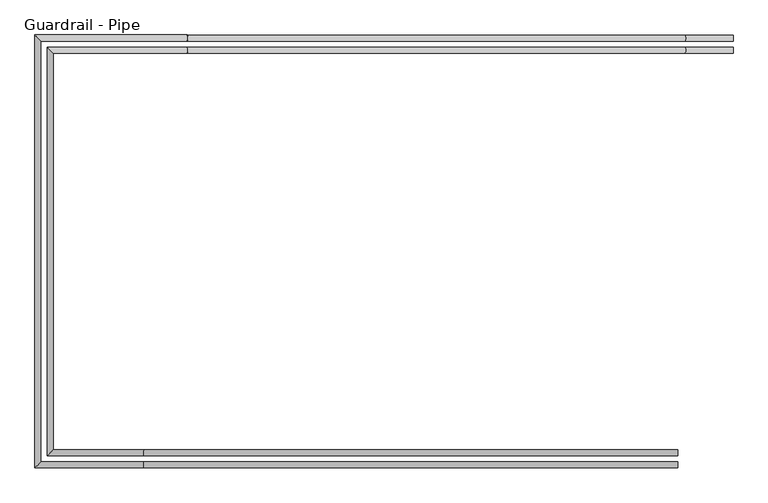
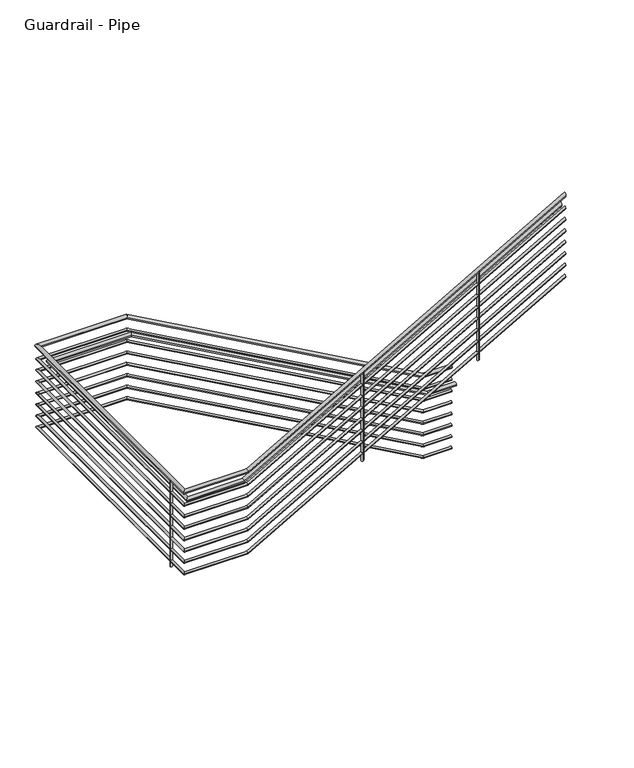
"""IFC4 building model written with IfcOpenShell, lengths in millimetres: railing geometry, Guardrail - Pipe."""

from ifc_helpers import new_model, si_unit, point, frame, frame_2d, origin, place, context, project, spatial, circle_curve, ellipse_curve, trimmed, segment, composite_curve, outline, extrude, source, transform, mapped, element, save
from ifc_brep_helpers import plane_surface, cylinder_surface, advanced_brep


def guardrail_pipe_b9f41d2e(model_context):
    return source(origin(), model_context, "Body", "SolidModel", [
        advanced_brep(
        [(-10251.0564309, 4025.1651259, 8667.75), (-10251.0564309, 4063.2651259, 8667.75), (-10551.6817729, 4025.1651259, 8667.75), (-10551.6817729, 4063.2651259, 8667.75), (-13675.3821148, 4025.1651259, 10417.0369565), (-13675.3821148, 4063.2651259, 10417.0369565), (-14591.1612561, 4025.1651259, 10417.0369565), (-14629.2612561, 4063.2651259, 10417.0369565), (-14591.1612561, 1386.0904418, 10417.0369565), (-14629.2612561, 1347.9904418, 10417.0369565), (-13944.769628, 1386.0904418, 10417.0369565), (-13944.769628, 1347.9904418, 10417.0369565), (-10597.0112561, 1386.0904418, 12322.4804567), (-10597.0112561, 1347.9904418, 12322.4804567)],
        [
            (0, 1, circle_curve(frame((-10251.0564309, 4044.2151259, 8667.75), z_axis=(1.0, 0.0, 0.0), x_axis=(0.0, 1.0, 0.0)), 19.05)),
            (1, 0, circle_curve(frame((-10251.0564309, 4044.2151259, 8667.75), z_axis=(1.0, 0.0, 0.0), x_axis=(0.0, 1.0, 0.0)), 19.05)),
            (0, 2),
            (2, 3, ellipse_curve(frame((-10551.6817729, 4044.2151259, 8667.75), z_axis=(0.967601224106327, 0.0, -0.2524834075893653), x_axis=(0.2524834075893652, 0.0, 0.967601224106327)), 19.6878626, 19.05)),
            (3, 1),
            (3, 2, ellipse_curve(frame((-10551.6817729, 4044.2151259, 8667.75), z_axis=(0.967601224106327, 0.0, -0.2524834075893653), x_axis=(0.2524834075893652, 0.0, 0.967601224106327)), 19.6878626, 19.05)),
            (2, 4),
            (4, 5, ellipse_curve(frame((-13675.3821148, 4044.2151259, 10417.0369565), z_axis=(0.967601224106327, 0.0, -0.2524834075893653), x_axis=(-0.2524834075893652, 0.0, -0.967601224106327)), 19.6878626, 19.05)),
            (5, 3),
            (5, 4, ellipse_curve(frame((-13675.3821148, 4044.2151259, 10417.0369565), z_axis=(0.967601224106327, 0.0, -0.2524834075893653), x_axis=(-0.2524834075893652, 0.0, -0.967601224106327)), 19.6878626, 19.05)),
            (4, 6),
            (6, 7, ellipse_curve(frame((-14610.2112561, 4044.2151259, 10417.0369565), z_axis=(0.7071067811865475, 0.7071067811865475, 0.0), x_axis=(0.7071067811865476, -0.7071067811865474, 0.0)), 26.9407684, 19.05)),
            (7, 5),
            (7, 6, ellipse_curve(frame((-14610.2112561, 4044.2151259, 10417.0369565), z_axis=(0.7071067811865475, 0.7071067811865475, 0.0), x_axis=(0.7071067811865476, -0.7071067811865474, 0.0)), 26.9407684, 19.05)),
            (6, 8),
            (8, 9, ellipse_curve(frame((-14610.2112561, 1367.0404418, 10417.0369565), z_axis=(-0.7071067811865475, 0.7071067811865475, 0.0), x_axis=(0.7071067811865474, 0.7071067811865476, 0.0)), 26.9407684, 19.05)),
            (9, 7),
            (9, 8, ellipse_curve(frame((-14610.2112561, 1367.0404418, 10417.0369565), z_axis=(-0.7071067811865475, 0.7071067811865475, 0.0), x_axis=(0.7071067811865474, 0.7071067811865476, 0.0)), 26.9407684, 19.05)),
            (8, 10),
            (10, 11, ellipse_curve(frame((-13944.769628, 1367.0404418, 10417.0369565), z_axis=(-0.9667180176221515, 0.0, -0.2558442385606873), x_axis=(-0.2558442385606863, 0.0, 0.9667180176221517)), 19.7058497, 19.05)),
            (11, 9),
            (11, 10, ellipse_curve(frame((-13944.769628, 1367.0404418, 10417.0369565), z_axis=(-0.9667180176221515, 0.0, -0.2558442385606873), x_axis=(-0.2558442385606863, 0.0, 0.9667180176221517)), 19.7058497, 19.05)),
            (12, 13, ellipse_curve(frame((-10597.0112561, 1367.0404418, 12322.4804567), z_axis=(1.0, 0.0, 0.0), x_axis=(0.0, 0.0, -1.0)), 21.9195433, 19.05)),
            (13, 12, ellipse_curve(frame((-10597.0112561, 1367.0404418, 12322.4804567), z_axis=(1.0, 0.0, 0.0), x_axis=(0.0, 0.0, -1.0)), 21.9195433, 19.05)),
            (10, 12),
            (13, 11),
        ],
        [
            plane_surface(frame((-10251.0564309, 4044.2151259, 8686.8), z_axis=(1.0, 0.0, 0.0), x_axis=(0.0, -1.0, 0.0))),
            cylinder_surface(frame((-10251.0564309, 4044.2151259, 8667.75), z_axis=(1.0, 0.0, 0.0), x_axis=(0.0, 1.0, 0.0)), 19.05),
            cylinder_surface(frame((-10556.0188682, 4044.2151259, 8670.1787939), z_axis=(0.8725042577841249, 0.0, -0.48860650850001314), x_axis=(0.0, 1.0, 0.0)), 19.05),
            cylinder_surface(frame((-13670.4112561, 4044.2151259, 10417.0369565), z_axis=(1.0, 0.0, 0.0), x_axis=(0.0, 1.0, 0.0)), 19.05),
            cylinder_surface(frame((-14610.2112561, 4044.2151259, 10417.0369565), z_axis=(0.0, 1.0, 0.0), x_axis=(-1.0, 0.0, 0.0)), 19.05),
            cylinder_surface(frame((-14610.2112561, 1367.0404418, 10417.0369565), z_axis=(-1.0, 0.0, 0.0), x_axis=(0.0, -1.0, 0.0)), 19.05),
            plane_surface(frame((-10597.0112561, 1367.0404418, 12344.4), z_axis=(1.0, 0.0, 0.0), x_axis=(0.0, 1.0, 0.0))),
            cylinder_surface(frame((-13940.3880123, 1367.0404418, 10419.5308406), z_axis=(-0.8690874511906044, 0.0, -0.49465847024287274), x_axis=(0.0, -1.0, 0.0)), 19.05),
        ],
        [
            (0, [[1, 2]]),
            (1, [[-1, 3, 4, 5]]),
            (1, [[-2, -5, 6, -3]]),
            (2, [[-4, 7, 8, 9]]),
            (2, [[-6, -9, 10, -7]]),
            (3, [[-8, 11, 12, 13]]),
            (3, [[-10, -13, 14, -11]]),
            (4, [[-12, 15, 16, 17]]),
            (4, [[-14, -17, 18, -15]]),
            (5, [[-16, 19, 20, 21]]),
            (5, [[-18, -21, 22, -19]]),
            (6, [[23, 24]]),
            (7, [[-20, 25, -24, 26]]),
            (7, [[-22, -26, -23, -25]]),
        ],
    ),
        advanced_brep(
        [(-10251.0564309, 4031.5151259, 8521.7), (-10251.0564309, 4056.9151259, 8521.7), (-10550.02482, 4031.5151259, 8521.7), (-10550.02482, 4056.9151259, 8521.7), (-13673.7251619, 4031.5151259, 10270.9869565), (-13673.7251619, 4056.9151259, 10270.9869565), (-14597.5112561, 4031.5151259, 10270.9869565), (-14622.9112561, 4056.9151259, 10270.9869565), (-14597.5112561, 1379.7404418, 10270.9869565), (-14622.9112561, 1354.3404418, 10270.9869565), (-13946.4501707, 1379.7404418, 10270.9869565), (-13946.4501707, 1354.3404418, 10270.9869565), (-10597.0112561, 1379.7404418, 12177.3869711), (-10597.0112561, 1354.3404418, 12177.3869711)],
        [
            (0, 1, circle_curve(frame((-10251.0564309, 4044.2151259, 8521.7), z_axis=(1.0, 0.0, 0.0), x_axis=(0.0, 1.0, 0.0)), 12.7)),
            (1, 0, circle_curve(frame((-10251.0564309, 4044.2151259, 8521.7), z_axis=(1.0, 0.0, 0.0), x_axis=(0.0, 1.0, 0.0)), 12.7)),
            (0, 2),
            (2, 3, ellipse_curve(frame((-10550.02482, 4044.2151259, 8521.7), z_axis=(0.967601224106327, 0.0, -0.2524834075893653), x_axis=(0.2524834075893652, 0.0, 0.967601224106327)), 13.1252418, 12.7)),
            (3, 1),
            (3, 2, ellipse_curve(frame((-10550.02482, 4044.2151259, 8521.7), z_axis=(0.967601224106327, 0.0, -0.2524834075893653), x_axis=(0.2524834075893652, 0.0, 0.967601224106327)), 13.1252418, 12.7)),
            (2, 4),
            (4, 5, ellipse_curve(frame((-13673.7251619, 4044.2151259, 10270.9869565), z_axis=(0.967601224106327, 0.0, -0.2524834075893653), x_axis=(-0.2524834075893652, 0.0, -0.967601224106327)), 13.1252418, 12.7)),
            (5, 3),
            (5, 4, ellipse_curve(frame((-13673.7251619, 4044.2151259, 10270.9869565), z_axis=(0.967601224106327, 0.0, -0.2524834075893653), x_axis=(-0.2524834075893652, 0.0, -0.967601224106327)), 13.1252418, 12.7)),
            (4, 6),
            (6, 7, ellipse_curve(frame((-14610.2112561, 4044.2151259, 10270.9869565), z_axis=(0.7071067811865475, 0.7071067811865475, 0.0), x_axis=(0.7071067811865476, -0.7071067811865474, 0.0)), 17.9605122, 12.7)),
            (7, 5),
            (7, 6, ellipse_curve(frame((-14610.2112561, 4044.2151259, 10270.9869565), z_axis=(0.7071067811865475, 0.7071067811865475, 0.0), x_axis=(0.7071067811865476, -0.7071067811865474, 0.0)), 17.9605122, 12.7)),
            (6, 8),
            (8, 9, ellipse_curve(frame((-14610.2112561, 1367.0404418, 10270.9869565), z_axis=(-0.7071067811865475, 0.7071067811865475, 0.0), x_axis=(0.7071067811865474, 0.7071067811865476, 0.0)), 17.9605122, 12.7)),
            (9, 7),
            (9, 8, ellipse_curve(frame((-14610.2112561, 1367.0404418, 10270.9869565), z_axis=(-0.7071067811865475, 0.7071067811865475, 0.0), x_axis=(0.7071067811865474, 0.7071067811865476, 0.0)), 17.9605122, 12.7)),
            (8, 10),
            (10, 11, ellipse_curve(frame((-13946.4501707, 1367.0404418, 10270.9869565), z_axis=(-0.9667180176221515, 0.0, -0.2558442385606873), x_axis=(-0.2558442385606863, 0.0, 0.9667180176221517)), 13.1372332, 12.7)),
            (11, 9),
            (11, 10, ellipse_curve(frame((-13946.4501707, 1367.0404418, 10270.9869565), z_axis=(-0.9667180176221515, 0.0, -0.2558442385606873), x_axis=(-0.2558442385606863, 0.0, 0.9667180176221517)), 13.1372332, 12.7)),
            (12, 13, ellipse_curve(frame((-10597.0112561, 1367.0404418, 12177.3869711), z_axis=(1.0, 0.0, 0.0), x_axis=(0.0, 0.0, -1.0)), 14.6130289, 12.7)),
            (13, 12, ellipse_curve(frame((-10597.0112561, 1367.0404418, 12177.3869711), z_axis=(1.0, 0.0, 0.0), x_axis=(0.0, 0.0, -1.0)), 14.6130289, 12.7)),
            (10, 12),
            (13, 11),
        ],
        [
            plane_surface(frame((-10251.0564309, 4044.2151259, 8534.4), z_axis=(1.0, 0.0, 0.0), x_axis=(0.0, -1.0, 0.0))),
            cylinder_surface(frame((-10251.0564309, 4044.2151259, 8521.7), z_axis=(1.0, 0.0, 0.0), x_axis=(0.0, 1.0, 0.0)), 12.7),
            cylinder_surface(frame((-10552.9162169, 4044.2151259, 8523.3191959), z_axis=(0.8725042577841249, 0.0, -0.48860650850001314), x_axis=(0.0, 1.0, 0.0)), 12.7),
            cylinder_surface(frame((-13670.4112561, 4044.2151259, 10270.9869565), z_axis=(1.0, 0.0, 0.0), x_axis=(0.0, 1.0, 0.0)), 12.7),
            cylinder_surface(frame((-14610.2112561, 4044.2151259, 10270.9869565), z_axis=(0.0, 1.0, 0.0), x_axis=(-1.0, 0.0, 0.0)), 12.7),
            cylinder_surface(frame((-14610.2112561, 1367.0404418, 10270.9869565), z_axis=(-1.0, 0.0, 0.0), x_axis=(0.0, -1.0, 0.0)), 12.7),
            plane_surface(frame((-10597.0112561, 1367.0404418, 12192.0), z_axis=(1.0, 0.0, 0.0), x_axis=(0.0, 1.0, 0.0))),
            cylinder_surface(frame((-13943.5290936, 1367.0404418, 10272.6495459), z_axis=(-0.8690874511906044, 0.0, -0.49465847024287274), x_axis=(0.0, -1.0, 0.0)), 12.7),
        ],
        [
            (0, [[1, 2]]),
            (1, [[-1, 3, 4, 5]]),
            (1, [[-2, -5, 6, -3]]),
            (2, [[-4, 7, 8, 9]]),
            (2, [[-6, -9, 10, -7]]),
            (3, [[-8, 11, 12, 13]]),
            (3, [[-10, -13, 14, -11]]),
            (4, [[-12, 15, 16, 17]]),
            (4, [[-14, -17, 18, -15]]),
            (5, [[-16, 19, 20, 21]]),
            (5, [[-18, -21, 22, -19]]),
            (6, [[23, 24]]),
            (7, [[-20, 25, -24, 26]]),
            (7, [[-22, -26, -23, -25]]),
        ],
    ),
        advanced_brep(
        [(-10251.0564309, 3948.9651259, 8515.35), (-10251.0564309, 3987.0651259, 8515.35), (-10551.6817729, 3948.9651259, 8515.35), (-10551.6817729, 3987.0651259, 8515.35), (-13675.3821148, 3948.9651259, 10264.6369565), (-13675.3821148, 3987.0651259, 10264.6369565), (-14514.9612561, 3948.9651259, 10264.6369565), (-14553.0612561, 3987.0651259, 10264.6369565), (-14514.9612561, 1462.2904418, 10264.6369565), (-14553.0612561, 1424.1904418, 10264.6369565), (-13944.769628, 1462.2904418, 10264.6369565), (-13944.769628, 1424.1904418, 10264.6369565), (-10597.0112561, 1462.2904418, 12170.0804567), (-10597.0112561, 1424.1904418, 12170.0804567)],
        [
            (0, 1, circle_curve(frame((-10251.0564309, 3968.0151259, 8515.35), z_axis=(1.0, 0.0, 0.0), x_axis=(0.0, 1.0, 0.0)), 19.05)),
            (1, 0, circle_curve(frame((-10251.0564309, 3968.0151259, 8515.35), z_axis=(1.0, 0.0, 0.0), x_axis=(0.0, 1.0, 0.0)), 19.05)),
            (0, 2),
            (2, 3, ellipse_curve(frame((-10551.6817729, 3968.0151259, 8515.35), z_axis=(0.967601224106327, 0.0, -0.2524834075893653), x_axis=(0.2524834075893652, 0.0, 0.967601224106327)), 19.6878626, 19.05)),
            (3, 1),
            (3, 2, ellipse_curve(frame((-10551.6817729, 3968.0151259, 8515.35), z_axis=(0.967601224106327, 0.0, -0.2524834075893653), x_axis=(0.2524834075893652, 0.0, 0.967601224106327)), 19.6878626, 19.05)),
            (2, 4),
            (4, 5, ellipse_curve(frame((-13675.3821148, 3968.0151259, 10264.6369565), z_axis=(0.967601224106327, 0.0, -0.2524834075893653), x_axis=(-0.2524834075893652, 0.0, -0.967601224106327)), 19.6878626, 19.05)),
            (5, 3),
            (5, 4, ellipse_curve(frame((-13675.3821148, 3968.0151259, 10264.6369565), z_axis=(0.967601224106327, 0.0, -0.2524834075893653), x_axis=(-0.2524834075893652, 0.0, -0.967601224106327)), 19.6878626, 19.05)),
            (4, 6),
            (6, 7, ellipse_curve(frame((-14534.0112561, 3968.0151259, 10264.6369565), z_axis=(0.7071067811865475, 0.7071067811865475, 0.0), x_axis=(0.7071067811865476, -0.7071067811865474, 0.0)), 26.9407684, 19.05)),
            (7, 5),
            (7, 6, ellipse_curve(frame((-14534.0112561, 3968.0151259, 10264.6369565), z_axis=(0.7071067811865475, 0.7071067811865475, 0.0), x_axis=(0.7071067811865476, -0.7071067811865474, 0.0)), 26.9407684, 19.05)),
            (6, 8),
            (8, 9, ellipse_curve(frame((-14534.0112561, 1443.2404418, 10264.6369565), z_axis=(-0.7071067811865475, 0.7071067811865475, 0.0), x_axis=(0.7071067811865474, 0.7071067811865476, 0.0)), 26.9407684, 19.05)),
            (9, 7),
            (9, 8, ellipse_curve(frame((-14534.0112561, 1443.2404418, 10264.6369565), z_axis=(-0.7071067811865475, 0.7071067811865475, 0.0), x_axis=(0.7071067811865474, 0.7071067811865476, 0.0)), 26.9407684, 19.05)),
            (8, 10),
            (10, 11, ellipse_curve(frame((-13944.769628, 1443.2404418, 10264.6369565), z_axis=(-0.9667180176221515, 0.0, -0.2558442385606873), x_axis=(-0.2558442385606863, 0.0, 0.9667180176221517)), 19.7058497, 19.05)),
            (11, 9),
            (11, 10, ellipse_curve(frame((-13944.769628, 1443.2404418, 10264.6369565), z_axis=(-0.9667180176221515, 0.0, -0.2558442385606873), x_axis=(-0.2558442385606863, 0.0, 0.9667180176221517)), 19.7058497, 19.05)),
            (12, 13, ellipse_curve(frame((-10597.0112561, 1443.2404418, 12170.0804567), z_axis=(1.0, 0.0, 0.0), x_axis=(0.0, 0.0, -1.0)), 21.9195433, 19.05)),
            (13, 12, ellipse_curve(frame((-10597.0112561, 1443.2404418, 12170.0804567), z_axis=(1.0, 0.0, 0.0), x_axis=(0.0, 0.0, -1.0)), 21.9195433, 19.05)),
            (10, 12),
            (13, 11),
        ],
        [
            plane_surface(frame((-10251.0564309, 3968.0151259, 8534.4), z_axis=(1.0, 0.0, 0.0), x_axis=(0.0, -1.0, 0.0))),
            cylinder_surface(frame((-10251.0564309, 3968.0151259, 8515.35), z_axis=(1.0, 0.0, 0.0), x_axis=(0.0, 1.0, 0.0)), 19.05),
            cylinder_surface(frame((-10556.0188682, 3968.0151259, 8517.7787939), z_axis=(0.8725042577841249, 0.0, -0.48860650850001314), x_axis=(0.0, 1.0, 0.0)), 19.05),
            cylinder_surface(frame((-13670.4112561, 3968.0151259, 10264.6369565), z_axis=(1.0, 0.0, 0.0), x_axis=(0.0, 1.0, 0.0)), 19.05),
            cylinder_surface(frame((-14534.0112561, 3968.0151259, 10264.6369565), z_axis=(0.0, 1.0, 0.0), x_axis=(-1.0, 0.0, 0.0)), 19.05),
            cylinder_surface(frame((-14534.0112561, 1443.2404418, 10264.6369565), z_axis=(-1.0, 0.0, 0.0), x_axis=(0.0, -1.0, 0.0)), 19.05),
            plane_surface(frame((-10597.0112561, 1443.2404418, 12192.0), z_axis=(1.0, 0.0, 0.0), x_axis=(0.0, 1.0, 0.0))),
            cylinder_surface(frame((-13940.3880123, 1443.2404418, 10267.1308406), z_axis=(-0.8690874511906044, 0.0, -0.49465847024287274), x_axis=(0.0, -1.0, 0.0)), 19.05),
        ],
        [
            (0, [[1, 2]]),
            (1, [[-1, 3, 4, 5]]),
            (1, [[-2, -5, 6, -3]]),
            (2, [[-4, 7, 8, 9]]),
            (2, [[-6, -9, 10, -7]]),
            (3, [[-8, 11, 12, 13]]),
            (3, [[-10, -13, 14, -11]]),
            (4, [[-12, 15, 16, 17]]),
            (4, [[-14, -17, 18, -15]]),
            (5, [[-16, 19, 20, 21]]),
            (5, [[-18, -21, 22, -19]]),
            (6, [[23, 24]]),
            (7, [[-20, 25, -24, 26]]),
            (7, [[-22, -26, -23, -25]]),
        ],
    ),
        advanced_brep(
        [(-10251.0564309, 4031.5151259, 8394.7), (-10251.0564309, 4056.9151259, 8394.7), (-10550.02482, 4031.5151259, 8394.7), (-10550.02482, 4056.9151259, 8394.7), (-13673.7251619, 4031.5151259, 10143.9869565), (-13673.7251619, 4056.9151259, 10143.9869565), (-14597.5112561, 4031.5151259, 10143.9869565), (-14622.9112561, 4056.9151259, 10143.9869565), (-14597.5112561, 1379.7404418, 10143.9869565), (-14622.9112561, 1354.3404418, 10143.9869565), (-13946.4501707, 1379.7404418, 10143.9869565), (-13946.4501707, 1354.3404418, 10143.9869565), (-10597.0112561, 1379.7404418, 12050.3869711), (-10597.0112561, 1354.3404418, 12050.3869711)],
        [
            (0, 1, circle_curve(frame((-10251.0564309, 4044.2151259, 8394.7), z_axis=(1.0, 0.0, 0.0), x_axis=(0.0, 1.0, 0.0)), 12.7)),
            (1, 0, circle_curve(frame((-10251.0564309, 4044.2151259, 8394.7), z_axis=(1.0, 0.0, 0.0), x_axis=(0.0, 1.0, 0.0)), 12.7)),
            (0, 2),
            (2, 3, ellipse_curve(frame((-10550.02482, 4044.2151259, 8394.7), z_axis=(0.967601224106327, 0.0, -0.2524834075893652), x_axis=(0.2524834075893654, 0.0, 0.9676012241063271)), 13.1252418, 12.7)),
            (3, 1),
            (3, 2, ellipse_curve(frame((-10550.02482, 4044.2151259, 8394.7), z_axis=(0.967601224106327, 0.0, -0.2524834075893652), x_axis=(0.2524834075893654, 0.0, 0.9676012241063271)), 13.1252418, 12.7)),
            (2, 4),
            (4, 5, ellipse_curve(frame((-13673.7251619, 4044.2151259, 10143.9869565), z_axis=(0.967601224106327, 0.0, -0.2524834075893652), x_axis=(-0.252483407589365, 0.0, -0.9676012241063271)), 13.1252418, 12.7)),
            (5, 3),
            (5, 4, ellipse_curve(frame((-13673.7251619, 4044.2151259, 10143.9869565), z_axis=(0.967601224106327, 0.0, -0.2524834075893652), x_axis=(-0.252483407589365, 0.0, -0.9676012241063271)), 13.1252418, 12.7)),
            (4, 6),
            (6, 7, ellipse_curve(frame((-14610.2112561, 4044.2151259, 10143.9869565), z_axis=(0.7071067811865475, 0.7071067811865475, 0.0), x_axis=(0.7071067811865476, -0.7071067811865474, 0.0)), 17.9605122, 12.7)),
            (7, 5),
            (7, 6, ellipse_curve(frame((-14610.2112561, 4044.2151259, 10143.9869565), z_axis=(0.7071067811865475, 0.7071067811865475, 0.0), x_axis=(0.7071067811865476, -0.7071067811865474, 0.0)), 17.9605122, 12.7)),
            (6, 8),
            (8, 9, ellipse_curve(frame((-14610.2112561, 1367.0404418, 10143.9869565), z_axis=(-0.7071067811865475, 0.7071067811865475, 0.0), x_axis=(0.7071067811865474, 0.7071067811865476, 0.0)), 17.9605122, 12.7)),
            (9, 7),
            (9, 8, ellipse_curve(frame((-14610.2112561, 1367.0404418, 10143.9869565), z_axis=(-0.7071067811865475, 0.7071067811865475, 0.0), x_axis=(0.7071067811865474, 0.7071067811865476, 0.0)), 17.9605122, 12.7)),
            (8, 10),
            (10, 11, ellipse_curve(frame((-13946.4501707, 1367.0404418, 10143.9869565), z_axis=(-0.9667180176221513, 0.0, -0.2558442385606875), x_axis=(-0.2558442385606877, 0.0, 0.9667180176221513)), 13.1372332, 12.7)),
            (11, 9),
            (11, 10, ellipse_curve(frame((-13946.4501707, 1367.0404418, 10143.9869565), z_axis=(-0.9667180176221513, 0.0, -0.2558442385606875), x_axis=(-0.2558442385606877, 0.0, 0.9667180176221513)), 13.1372332, 12.7)),
            (12, 13, ellipse_curve(frame((-10597.0112561, 1367.0404418, 12050.3869711), z_axis=(1.0, 0.0, 0.0), x_axis=(0.0, 0.0, -1.0)), 14.6130289, 12.7)),
            (13, 12, ellipse_curve(frame((-10597.0112561, 1367.0404418, 12050.3869711), z_axis=(1.0, 0.0, 0.0), x_axis=(0.0, 0.0, -1.0)), 14.6130289, 12.7)),
            (10, 12),
            (13, 11),
        ],
        [
            plane_surface(frame((-10251.0564309, 4044.2151259, 8407.4), z_axis=(1.0, 0.0, 0.0), x_axis=(0.0, -1.0, 0.0))),
            cylinder_surface(frame((-10251.0564309, 4044.2151259, 8394.7), z_axis=(1.0, 0.0, 0.0), x_axis=(0.0, 1.0, 0.0)), 12.7),
            cylinder_surface(frame((-10552.9162169, 4044.2151259, 8396.3191959), z_axis=(0.872504257784125, 0.0, -0.4886065085000129), x_axis=(0.0, 1.0, 0.0)), 12.7),
            cylinder_surface(frame((-13670.4112561, 4044.2151259, 10143.9869565), z_axis=(1.0, 0.0, 0.0), x_axis=(0.0, 1.0, 0.0)), 12.7),
            cylinder_surface(frame((-14610.2112561, 4044.2151259, 10143.9869565), z_axis=(0.0, 1.0, 0.0), x_axis=(-1.0, 0.0, 0.0)), 12.7),
            cylinder_surface(frame((-14610.2112561, 1367.0404418, 10143.9869565), z_axis=(-1.0, 0.0, 0.0), x_axis=(0.0, -1.0, 0.0)), 12.7),
            plane_surface(frame((-10597.0112561, 1367.0404418, 12065.0), z_axis=(1.0, 0.0, 0.0), x_axis=(0.0, 1.0, 0.0))),
            cylinder_surface(frame((-13943.5290936, 1367.0404418, 10145.6495459), z_axis=(-0.869087451190604, 0.0, -0.4946584702428732), x_axis=(0.0, -1.0, 0.0)), 12.7),
        ],
        [
            (0, [[1, 2]]),
            (1, [[-1, 3, 4, 5]]),
            (1, [[-2, -5, 6, -3]]),
            (2, [[-4, 7, 8, 9]]),
            (2, [[-6, -9, 10, -7]]),
            (3, [[-8, 11, 12, 13]]),
            (3, [[-10, -13, 14, -11]]),
            (4, [[-12, 15, 16, 17]]),
            (4, [[-14, -17, 18, -15]]),
            (5, [[-16, 19, 20, 21]]),
            (5, [[-18, -21, 22, -19]]),
            (6, [[23, 24]]),
            (7, [[-20, 25, -24, 26]]),
            (7, [[-22, -26, -23, -25]]),
        ],
    ),
        advanced_brep(
        [(-10251.0564309, 4031.5151259, 8267.7), (-10251.0564309, 4056.9151259, 8267.7), (-10550.02482, 4031.5151259, 8267.7), (-10550.02482, 4056.9151259, 8267.7), (-13673.7251619, 4031.5151259, 10016.9869565), (-13673.7251619, 4056.9151259, 10016.9869565), (-14597.5112561, 4031.5151259, 10016.9869565), (-14622.9112561, 4056.9151259, 10016.9869565), (-14597.5112561, 1379.7404418, 10016.9869565), (-14622.9112561, 1354.3404418, 10016.9869565), (-13946.4501707, 1379.7404418, 10016.9869565), (-13946.4501707, 1354.3404418, 10016.9869565), (-10597.0112561, 1379.7404418, 11923.3869711), (-10597.0112561, 1354.3404418, 11923.3869711)],
        [
            (0, 1, circle_curve(frame((-10251.0564309, 4044.2151259, 8267.7), z_axis=(1.0, 0.0, 0.0), x_axis=(0.0, 1.0, 0.0)), 12.7)),
            (1, 0, circle_curve(frame((-10251.0564309, 4044.2151259, 8267.7), z_axis=(1.0, 0.0, 0.0), x_axis=(0.0, 1.0, 0.0)), 12.7)),
            (0, 2),
            (2, 3, ellipse_curve(frame((-10550.02482, 4044.2151259, 8267.7), z_axis=(0.967601224106327, 0.0, -0.2524834075893652), x_axis=(0.2524834075893654, 0.0, 0.9676012241063271)), 13.1252418, 12.7)),
            (3, 1),
            (3, 2, ellipse_curve(frame((-10550.02482, 4044.2151259, 8267.7), z_axis=(0.967601224106327, 0.0, -0.2524834075893652), x_axis=(0.2524834075893654, 0.0, 0.9676012241063271)), 13.1252418, 12.7)),
            (2, 4),
            (4, 5, ellipse_curve(frame((-13673.7251619, 4044.2151259, 10016.9869565), z_axis=(0.967601224106327, 0.0, -0.2524834075893652), x_axis=(-0.252483407589365, 0.0, -0.9676012241063271)), 13.1252418, 12.7)),
            (5, 3),
            (5, 4, ellipse_curve(frame((-13673.7251619, 4044.2151259, 10016.9869565), z_axis=(0.967601224106327, 0.0, -0.2524834075893652), x_axis=(-0.252483407589365, 0.0, -0.9676012241063271)), 13.1252418, 12.7)),
            (4, 6),
            (6, 7, ellipse_curve(frame((-14610.2112561, 4044.2151259, 10016.9869565), z_axis=(0.7071067811865475, 0.7071067811865475, 0.0), x_axis=(0.7071067811865476, -0.7071067811865474, 0.0)), 17.9605122, 12.7)),
            (7, 5),
            (7, 6, ellipse_curve(frame((-14610.2112561, 4044.2151259, 10016.9869565), z_axis=(0.7071067811865475, 0.7071067811865475, 0.0), x_axis=(0.7071067811865476, -0.7071067811865474, 0.0)), 17.9605122, 12.7)),
            (6, 8),
            (8, 9, ellipse_curve(frame((-14610.2112561, 1367.0404418, 10016.9869565), z_axis=(-0.7071067811865475, 0.7071067811865475, 0.0), x_axis=(0.7071067811865474, 0.7071067811865476, 0.0)), 17.9605122, 12.7)),
            (9, 7),
            (9, 8, ellipse_curve(frame((-14610.2112561, 1367.0404418, 10016.9869565), z_axis=(-0.7071067811865475, 0.7071067811865475, 0.0), x_axis=(0.7071067811865474, 0.7071067811865476, 0.0)), 17.9605122, 12.7)),
            (8, 10),
            (10, 11, ellipse_curve(frame((-13946.4501707, 1367.0404418, 10016.9869565), z_axis=(-0.9667180176221515, 0.0, -0.2558442385606873), x_axis=(-0.2558442385606863, 0.0, 0.9667180176221517)), 13.1372332, 12.7)),
            (11, 9),
            (11, 10, ellipse_curve(frame((-13946.4501707, 1367.0404418, 10016.9869565), z_axis=(-0.9667180176221515, 0.0, -0.2558442385606873), x_axis=(-0.2558442385606863, 0.0, 0.9667180176221517)), 13.1372332, 12.7)),
            (12, 13, ellipse_curve(frame((-10597.0112561, 1367.0404418, 11923.3869711), z_axis=(1.0, 0.0, 0.0), x_axis=(0.0, 0.0, -1.0)), 14.6130289, 12.7)),
            (13, 12, ellipse_curve(frame((-10597.0112561, 1367.0404418, 11923.3869711), z_axis=(1.0, 0.0, 0.0), x_axis=(0.0, 0.0, -1.0)), 14.6130289, 12.7)),
            (10, 12),
            (13, 11),
        ],
        [
            plane_surface(frame((-10251.0564309, 4044.2151259, 8280.4), z_axis=(1.0, 0.0, 0.0), x_axis=(0.0, -1.0, 0.0))),
            cylinder_surface(frame((-10251.0564309, 4044.2151259, 8267.7), z_axis=(1.0, 0.0, 0.0), x_axis=(0.0, 1.0, 0.0)), 12.7),
            cylinder_surface(frame((-10552.9162169, 4044.2151259, 8269.3191959), z_axis=(0.872504257784125, 0.0, -0.4886065085000129), x_axis=(0.0, 1.0, 0.0)), 12.7),
            cylinder_surface(frame((-13670.4112561, 4044.2151259, 10016.9869565), z_axis=(1.0, 0.0, 0.0), x_axis=(0.0, 1.0, 0.0)), 12.7),
            cylinder_surface(frame((-14610.2112561, 4044.2151259, 10016.9869565), z_axis=(0.0, 1.0, 0.0), x_axis=(-1.0, 0.0, 0.0)), 12.7),
            cylinder_surface(frame((-14610.2112561, 1367.0404418, 10016.9869565), z_axis=(-1.0, 0.0, 0.0), x_axis=(0.0, -1.0, 0.0)), 12.7),
            plane_surface(frame((-10597.0112561, 1367.0404418, 11938.0), z_axis=(1.0, 0.0, 0.0), x_axis=(0.0, 1.0, 0.0))),
            cylinder_surface(frame((-13943.5290936, 1367.0404418, 10018.6495459), z_axis=(-0.8690874511906044, 0.0, -0.49465847024287274), x_axis=(0.0, -1.0, 0.0)), 12.7),
        ],
        [
            (0, [[1, 2]]),
            (1, [[-1, 3, 4, 5]]),
            (1, [[-2, -5, 6, -3]]),
            (2, [[-4, 7, 8, 9]]),
            (2, [[-6, -9, 10, -7]]),
            (3, [[-8, 11, 12, 13]]),
            (3, [[-10, -13, 14, -11]]),
            (4, [[-12, 15, 16, 17]]),
            (4, [[-14, -17, 18, -15]]),
            (5, [[-16, 19, 20, 21]]),
            (5, [[-18, -21, 22, -19]]),
            (6, [[23, 24]]),
            (7, [[-20, 25, -24, 26]]),
            (7, [[-22, -26, -23, -25]]),
        ],
    ),
        advanced_brep(
        [(-10251.0564309, 4031.5151259, 8140.7), (-10251.0564309, 4056.9151259, 8140.7), (-10550.02482, 4031.5151259, 8140.7), (-10550.02482, 4056.9151259, 8140.7), (-13673.7251619, 4031.5151259, 9889.9869565), (-13673.7251619, 4056.9151259, 9889.9869565), (-14597.5112561, 4031.5151259, 9889.9869565), (-14622.9112561, 4056.9151259, 9889.9869565), (-14597.5112561, 1379.7404418, 9889.9869565), (-14622.9112561, 1354.3404418, 9889.9869565), (-13946.4501707, 1379.7404418, 9889.9869565), (-13946.4501707, 1354.3404418, 9889.9869565), (-10597.0112561, 1379.7404418, 11796.3869711), (-10597.0112561, 1354.3404418, 11796.3869711)],
        [
            (0, 1, circle_curve(frame((-10251.0564309, 4044.2151259, 8140.7), z_axis=(1.0, 0.0, 0.0), x_axis=(0.0, 1.0, 0.0)), 12.7)),
            (1, 0, circle_curve(frame((-10251.0564309, 4044.2151259, 8140.7), z_axis=(1.0, 0.0, 0.0), x_axis=(0.0, 1.0, 0.0)), 12.7)),
            (0, 2),
            (2, 3, ellipse_curve(frame((-10550.02482, 4044.2151259, 8140.7), z_axis=(0.967601224106327, 0.0, -0.2524834075893653), x_axis=(0.2524834075893652, 0.0, 0.967601224106327)), 13.1252418, 12.7)),
            (3, 1),
            (3, 2, ellipse_curve(frame((-10550.02482, 4044.2151259, 8140.7), z_axis=(0.967601224106327, 0.0, -0.2524834075893653), x_axis=(0.2524834075893652, 0.0, 0.967601224106327)), 13.1252418, 12.7)),
            (2, 4),
            (4, 5, ellipse_curve(frame((-13673.7251619, 4044.2151259, 9889.9869565), z_axis=(0.967601224106327, 0.0, -0.2524834075893653), x_axis=(-0.2524834075893652, 0.0, -0.967601224106327)), 13.1252418, 12.7)),
            (5, 3),
            (5, 4, ellipse_curve(frame((-13673.7251619, 4044.2151259, 9889.9869565), z_axis=(0.967601224106327, 0.0, -0.2524834075893653), x_axis=(-0.2524834075893652, 0.0, -0.967601224106327)), 13.1252418, 12.7)),
            (4, 6),
            (6, 7, ellipse_curve(frame((-14610.2112561, 4044.2151259, 9889.9869565), z_axis=(0.7071067811865475, 0.7071067811865475, 0.0), x_axis=(0.7071067811865476, -0.7071067811865474, 0.0)), 17.9605122, 12.7)),
            (7, 5),
            (7, 6, ellipse_curve(frame((-14610.2112561, 4044.2151259, 9889.9869565), z_axis=(0.7071067811865475, 0.7071067811865475, 0.0), x_axis=(0.7071067811865476, -0.7071067811865474, 0.0)), 17.9605122, 12.7)),
            (6, 8),
            (8, 9, ellipse_curve(frame((-14610.2112561, 1367.0404418, 9889.9869565), z_axis=(-0.7071067811865475, 0.7071067811865475, 0.0), x_axis=(0.7071067811865474, 0.7071067811865476, 0.0)), 17.9605122, 12.7)),
            (9, 7),
            (9, 8, ellipse_curve(frame((-14610.2112561, 1367.0404418, 9889.9869565), z_axis=(-0.7071067811865475, 0.7071067811865475, 0.0), x_axis=(0.7071067811865474, 0.7071067811865476, 0.0)), 17.9605122, 12.7)),
            (8, 10),
            (10, 11, ellipse_curve(frame((-13946.4501707, 1367.0404418, 9889.9869565), z_axis=(-0.9667180176221515, 0.0, -0.2558442385606873), x_axis=(-0.2558442385606863, 0.0, 0.9667180176221517)), 13.1372332, 12.7)),
            (11, 9),
            (11, 10, ellipse_curve(frame((-13946.4501707, 1367.0404418, 9889.9869565), z_axis=(-0.9667180176221515, 0.0, -0.2558442385606873), x_axis=(-0.2558442385606863, 0.0, 0.9667180176221517)), 13.1372332, 12.7)),
            (12, 13, ellipse_curve(frame((-10597.0112561, 1367.0404418, 11796.3869711), z_axis=(1.0, 0.0, 0.0), x_axis=(0.0, 0.0, -1.0)), 14.6130289, 12.7)),
            (13, 12, ellipse_curve(frame((-10597.0112561, 1367.0404418, 11796.3869711), z_axis=(1.0, 0.0, 0.0), x_axis=(0.0, 0.0, -1.0)), 14.6130289, 12.7)),
            (10, 12),
            (13, 11),
        ],
        [
            plane_surface(frame((-10251.0564309, 4044.2151259, 8153.4), z_axis=(1.0, 0.0, 0.0), x_axis=(0.0, -1.0, 0.0))),
            cylinder_surface(frame((-10251.0564309, 4044.2151259, 8140.7), z_axis=(1.0, 0.0, 0.0), x_axis=(0.0, 1.0, 0.0)), 12.7),
            cylinder_surface(frame((-10552.9162169, 4044.2151259, 8142.3191959), z_axis=(0.8725042577841249, 0.0, -0.48860650850001314), x_axis=(0.0, 1.0, 0.0)), 12.7),
            cylinder_surface(frame((-13670.4112561, 4044.2151259, 9889.9869565), z_axis=(1.0, 0.0, 0.0), x_axis=(0.0, 1.0, 0.0)), 12.7),
            cylinder_surface(frame((-14610.2112561, 4044.2151259, 9889.9869565), z_axis=(0.0, 1.0, 0.0), x_axis=(-1.0, 0.0, 0.0)), 12.7),
            cylinder_surface(frame((-14610.2112561, 1367.0404418, 9889.9869565), z_axis=(-1.0, 0.0, 0.0), x_axis=(0.0, -1.0, 0.0)), 12.7),
            plane_surface(frame((-10597.0112561, 1367.0404418, 11811.0), z_axis=(1.0, 0.0, 0.0), x_axis=(0.0, 1.0, 0.0))),
            cylinder_surface(frame((-13943.5290936, 1367.0404418, 9891.6495459), z_axis=(-0.8690874511906044, 0.0, -0.49465847024287274), x_axis=(0.0, -1.0, 0.0)), 12.7),
        ],
        [
            (0, [[1, 2]]),
            (1, [[-1, 3, 4, 5]]),
            (1, [[-2, -5, 6, -3]]),
            (2, [[-4, 7, 8, 9]]),
            (2, [[-6, -9, 10, -7]]),
            (3, [[-8, 11, 12, 13]]),
            (3, [[-10, -13, 14, -11]]),
            (4, [[-12, 15, 16, 17]]),
            (4, [[-14, -17, 18, -15]]),
            (5, [[-16, 19, 20, 21]]),
            (5, [[-18, -21, 22, -19]]),
            (6, [[23, 24]]),
            (7, [[-20, 25, -24, 26]]),
            (7, [[-22, -26, -23, -25]]),
        ],
    ),
        advanced_brep(
        [(-10251.0564309, 4031.5151259, 8013.7), (-10251.0564309, 4056.9151259, 8013.7), (-10550.02482, 4031.5151259, 8013.7), (-10550.02482, 4056.9151259, 8013.7), (-13673.7251619, 4031.5151259, 9762.9869565), (-13673.7251619, 4056.9151259, 9762.9869565), (-14597.5112561, 4031.5151259, 9762.9869565), (-14622.9112561, 4056.9151259, 9762.9869565), (-14597.5112561, 1379.7404418, 9762.9869565), (-14622.9112561, 1354.3404418, 9762.9869565), (-13946.4501707, 1379.7404418, 9762.9869565), (-13946.4501707, 1354.3404418, 9762.9869565), (-10597.0112561, 1379.7404418, 11669.3869711), (-10597.0112561, 1354.3404418, 11669.3869711)],
        [
            (0, 1, circle_curve(frame((-10251.0564309, 4044.2151259, 8013.7), z_axis=(1.0, 0.0, 0.0), x_axis=(0.0, 1.0, 0.0)), 12.7)),
            (1, 0, circle_curve(frame((-10251.0564309, 4044.2151259, 8013.7), z_axis=(1.0, 0.0, 0.0), x_axis=(0.0, 1.0, 0.0)), 12.7)),
            (0, 2),
            (2, 3, ellipse_curve(frame((-10550.02482, 4044.2151259, 8013.7), z_axis=(0.967601224106327, 0.0, -0.2524834075893652), x_axis=(0.2524834075893654, 0.0, 0.9676012241063271)), 13.1252418, 12.7)),
            (3, 1),
            (3, 2, ellipse_curve(frame((-10550.02482, 4044.2151259, 8013.7), z_axis=(0.967601224106327, 0.0, -0.2524834075893652), x_axis=(0.2524834075893654, 0.0, 0.9676012241063271)), 13.1252418, 12.7)),
            (2, 4),
            (4, 5, ellipse_curve(frame((-13673.7251619, 4044.2151259, 9762.9869565), z_axis=(0.967601224106327, 0.0, -0.2524834075893652), x_axis=(-0.252483407589365, 0.0, -0.9676012241063271)), 13.1252418, 12.7)),
            (5, 3),
            (5, 4, ellipse_curve(frame((-13673.7251619, 4044.2151259, 9762.9869565), z_axis=(0.967601224106327, 0.0, -0.2524834075893652), x_axis=(-0.252483407589365, 0.0, -0.9676012241063271)), 13.1252418, 12.7)),
            (4, 6),
            (6, 7, ellipse_curve(frame((-14610.2112561, 4044.2151259, 9762.9869565), z_axis=(0.7071067811865475, 0.7071067811865475, 0.0), x_axis=(0.7071067811865476, -0.7071067811865474, 0.0)), 17.9605122, 12.7)),
            (7, 5),
            (7, 6, ellipse_curve(frame((-14610.2112561, 4044.2151259, 9762.9869565), z_axis=(0.7071067811865475, 0.7071067811865475, 0.0), x_axis=(0.7071067811865476, -0.7071067811865474, 0.0)), 17.9605122, 12.7)),
            (6, 8),
            (8, 9, ellipse_curve(frame((-14610.2112561, 1367.0404418, 9762.9869565), z_axis=(-0.7071067811865475, 0.7071067811865475, 0.0), x_axis=(0.7071067811865474, 0.7071067811865476, 0.0)), 17.9605122, 12.7)),
            (9, 7),
            (9, 8, ellipse_curve(frame((-14610.2112561, 1367.0404418, 9762.9869565), z_axis=(-0.7071067811865475, 0.7071067811865475, 0.0), x_axis=(0.7071067811865474, 0.7071067811865476, 0.0)), 17.9605122, 12.7)),
            (8, 10),
            (10, 11, ellipse_curve(frame((-13946.4501707, 1367.0404418, 9762.9869565), z_axis=(-0.9667180176221513, 0.0, -0.2558442385606875), x_axis=(-0.2558442385606877, 0.0, 0.9667180176221513)), 13.1372332, 12.7)),
            (11, 9),
            (11, 10, ellipse_curve(frame((-13946.4501707, 1367.0404418, 9762.9869565), z_axis=(-0.9667180176221513, 0.0, -0.2558442385606875), x_axis=(-0.2558442385606877, 0.0, 0.9667180176221513)), 13.1372332, 12.7)),
            (12, 13, ellipse_curve(frame((-10597.0112561, 1367.0404418, 11669.3869711), z_axis=(1.0, 0.0, 0.0), x_axis=(0.0, 0.0, -1.0)), 14.6130289, 12.7)),
            (13, 12, ellipse_curve(frame((-10597.0112561, 1367.0404418, 11669.3869711), z_axis=(1.0, 0.0, 0.0), x_axis=(0.0, 0.0, -1.0)), 14.6130289, 12.7)),
            (10, 12),
            (13, 11),
        ],
        [
            plane_surface(frame((-10251.0564309, 4044.2151259, 8026.4), z_axis=(1.0, 0.0, 0.0), x_axis=(0.0, -1.0, 0.0))),
            cylinder_surface(frame((-10251.0564309, 4044.2151259, 8013.7), z_axis=(1.0, 0.0, 0.0), x_axis=(0.0, 1.0, 0.0)), 12.7),
            cylinder_surface(frame((-10552.9162169, 4044.2151259, 8015.3191959), z_axis=(0.872504257784125, 0.0, -0.4886065085000129), x_axis=(0.0, 1.0, 0.0)), 12.7),
            cylinder_surface(frame((-13670.4112561, 4044.2151259, 9762.9869565), z_axis=(1.0, 0.0, 0.0), x_axis=(0.0, 1.0, 0.0)), 12.7),
            cylinder_surface(frame((-14610.2112561, 4044.2151259, 9762.9869565), z_axis=(0.0, 1.0, 0.0), x_axis=(-1.0, 0.0, 0.0)), 12.7),
            cylinder_surface(frame((-14610.2112561, 1367.0404418, 9762.9869565), z_axis=(-1.0, 0.0, 0.0), x_axis=(0.0, -1.0, 0.0)), 12.7),
            plane_surface(frame((-10597.0112561, 1367.0404418, 11684.0), z_axis=(1.0, 0.0, 0.0), x_axis=(0.0, 1.0, 0.0))),
            cylinder_surface(frame((-13943.5290936, 1367.0404418, 9764.6495459), z_axis=(-0.869087451190604, 0.0, -0.4946584702428732), x_axis=(0.0, -1.0, 0.0)), 12.7),
        ],
        [
            (0, [[1, 2]]),
            (1, [[-1, 3, 4, 5]]),
            (1, [[-2, -5, 6, -3]]),
            (2, [[-4, 7, 8, 9]]),
            (2, [[-6, -9, 10, -7]]),
            (3, [[-8, 11, 12, 13]]),
            (3, [[-10, -13, 14, -11]]),
            (4, [[-12, 15, 16, 17]]),
            (4, [[-14, -17, 18, -15]]),
            (5, [[-16, 19, 20, 21]]),
            (5, [[-18, -21, 22, -19]]),
            (6, [[23, 24]]),
            (7, [[-20, 25, -24, 26]]),
            (7, [[-22, -26, -23, -25]]),
        ],
    ),
        advanced_brep(
        [(-10251.0564309, 4031.5151259, 7886.7), (-10251.0564309, 4056.9151259, 7886.7), (-10550.02482, 4031.5151259, 7886.7), (-10550.02482, 4056.9151259, 7886.7), (-13673.7251619, 4031.5151259, 9635.9869565), (-13673.7251619, 4056.9151259, 9635.9869565), (-14597.5112561, 4031.5151259, 9635.9869565), (-14622.9112561, 4056.9151259, 9635.9869565), (-14597.5112561, 1379.7404418, 9635.9869565), (-14622.9112561, 1354.3404418, 9635.9869565), (-13946.4501707, 1379.7404418, 9635.9869565), (-13946.4501707, 1354.3404418, 9635.9869565), (-10597.0112561, 1379.7404418, 11542.3869711), (-10597.0112561, 1354.3404418, 11542.3869711)],
        [
            (0, 1, circle_curve(frame((-10251.0564309, 4044.2151259, 7886.7), z_axis=(1.0, 0.0, 0.0), x_axis=(0.0, 1.0, 0.0)), 12.7)),
            (1, 0, circle_curve(frame((-10251.0564309, 4044.2151259, 7886.7), z_axis=(1.0, 0.0, 0.0), x_axis=(0.0, 1.0, 0.0)), 12.7)),
            (0, 2),
            (2, 3, ellipse_curve(frame((-10550.02482, 4044.2151259, 7886.7), z_axis=(0.967601224106327, 0.0, -0.2524834075893652), x_axis=(0.2524834075893654, 0.0, 0.9676012241063271)), 13.1252418, 12.7)),
            (3, 1),
            (3, 2, ellipse_curve(frame((-10550.02482, 4044.2151259, 7886.7), z_axis=(0.967601224106327, 0.0, -0.2524834075893652), x_axis=(0.2524834075893654, 0.0, 0.9676012241063271)), 13.1252418, 12.7)),
            (2, 4),
            (4, 5, ellipse_curve(frame((-13673.7251619, 4044.2151259, 9635.9869565), z_axis=(0.967601224106327, 0.0, -0.2524834075893652), x_axis=(-0.252483407589365, 0.0, -0.9676012241063271)), 13.1252418, 12.7)),
            (5, 3),
            (5, 4, ellipse_curve(frame((-13673.7251619, 4044.2151259, 9635.9869565), z_axis=(0.967601224106327, 0.0, -0.2524834075893652), x_axis=(-0.252483407589365, 0.0, -0.9676012241063271)), 13.1252418, 12.7)),
            (4, 6),
            (6, 7, ellipse_curve(frame((-14610.2112561, 4044.2151259, 9635.9869565), z_axis=(0.7071067811865475, 0.7071067811865475, 0.0), x_axis=(0.7071067811865476, -0.7071067811865474, 0.0)), 17.9605122, 12.7)),
            (7, 5),
            (7, 6, ellipse_curve(frame((-14610.2112561, 4044.2151259, 9635.9869565), z_axis=(0.7071067811865475, 0.7071067811865475, 0.0), x_axis=(0.7071067811865476, -0.7071067811865474, 0.0)), 17.9605122, 12.7)),
            (6, 8),
            (8, 9, ellipse_curve(frame((-14610.2112561, 1367.0404418, 9635.9869565), z_axis=(-0.7071067811865475, 0.7071067811865475, 0.0), x_axis=(0.7071067811865474, 0.7071067811865476, 0.0)), 17.9605122, 12.7)),
            (9, 7),
            (9, 8, ellipse_curve(frame((-14610.2112561, 1367.0404418, 9635.9869565), z_axis=(-0.7071067811865475, 0.7071067811865475, 0.0), x_axis=(0.7071067811865474, 0.7071067811865476, 0.0)), 17.9605122, 12.7)),
            (8, 10),
            (10, 11, ellipse_curve(frame((-13946.4501707, 1367.0404418, 9635.9869565), z_axis=(-0.9667180176221515, 0.0, -0.2558442385606873), x_axis=(-0.2558442385606863, 0.0, 0.9667180176221517)), 13.1372332, 12.7)),
            (11, 9),
            (11, 10, ellipse_curve(frame((-13946.4501707, 1367.0404418, 9635.9869565), z_axis=(-0.9667180176221515, 0.0, -0.2558442385606873), x_axis=(-0.2558442385606863, 0.0, 0.9667180176221517)), 13.1372332, 12.7)),
            (12, 13, ellipse_curve(frame((-10597.0112561, 1367.0404418, 11542.3869711), z_axis=(1.0, 0.0, 0.0), x_axis=(0.0, 0.0, -1.0)), 14.6130289, 12.7)),
            (13, 12, ellipse_curve(frame((-10597.0112561, 1367.0404418, 11542.3869711), z_axis=(1.0, 0.0, 0.0), x_axis=(0.0, 0.0, -1.0)), 14.6130289, 12.7)),
            (10, 12),
            (13, 11),
        ],
        [
            plane_surface(frame((-10251.0564309, 4044.2151259, 7899.4), z_axis=(1.0, 0.0, 0.0), x_axis=(0.0, -1.0, 0.0))),
            cylinder_surface(frame((-10251.0564309, 4044.2151259, 7886.7), z_axis=(1.0, 0.0, 0.0), x_axis=(0.0, 1.0, 0.0)), 12.7),
            cylinder_surface(frame((-10552.9162169, 4044.2151259, 7888.3191959), z_axis=(0.872504257784125, 0.0, -0.4886065085000129), x_axis=(0.0, 1.0, 0.0)), 12.7),
            cylinder_surface(frame((-13670.4112561, 4044.2151259, 9635.9869565), z_axis=(1.0, 0.0, 0.0), x_axis=(0.0, 1.0, 0.0)), 12.7),
            cylinder_surface(frame((-14610.2112561, 4044.2151259, 9635.9869565), z_axis=(0.0, 1.0, 0.0), x_axis=(-1.0, 0.0, 0.0)), 12.7),
            cylinder_surface(frame((-14610.2112561, 1367.0404418, 9635.9869565), z_axis=(-1.0, 0.0, 0.0), x_axis=(0.0, -1.0, 0.0)), 12.7),
            plane_surface(frame((-10597.0112561, 1367.0404418, 11557.0), z_axis=(1.0, 0.0, 0.0), x_axis=(0.0, 1.0, 0.0))),
            cylinder_surface(frame((-13943.5290936, 1367.0404418, 9637.6495459), z_axis=(-0.8690874511906044, 0.0, -0.49465847024287274), x_axis=(0.0, -1.0, 0.0)), 12.7),
        ],
        [
            (0, [[1, 2]]),
            (1, [[-1, 3, 4, 5]]),
            (1, [[-2, -5, 6, -3]]),
            (2, [[-4, 7, 8, 9]]),
            (2, [[-6, -9, 10, -7]]),
            (3, [[-8, 11, 12, 13]]),
            (3, [[-10, -13, 14, -11]]),
            (4, [[-12, 15, 16, 17]]),
            (4, [[-14, -17, 18, -15]]),
            (5, [[-16, 19, 20, 21]]),
            (5, [[-18, -21, 22, -19]]),
            (6, [[23, 24]]),
            (7, [[-20, 25, -24, 26]]),
            (7, [[-22, -26, -23, -25]]),
        ],
    ),
        advanced_brep(
        [(-10251.0564309, 4031.5151259, 7759.7), (-10251.0564309, 4056.9151259, 7759.7), (-10550.02482, 4031.5151259, 7759.7), (-10550.02482, 4056.9151259, 7759.7), (-13673.7251619, 4031.5151259, 9508.9869565), (-13673.7251619, 4056.9151259, 9508.9869565), (-14597.5112561, 4031.5151259, 9508.9869565), (-14622.9112561, 4056.9151259, 9508.9869565), (-14597.5112561, 1379.7404418, 9508.9869565), (-14622.9112561, 1354.3404418, 9508.9869565), (-13946.4501707, 1379.7404418, 9508.9869565), (-13946.4501707, 1354.3404418, 9508.9869565), (-10597.0112561, 1379.7404418, 11415.3869711), (-10597.0112561, 1354.3404418, 11415.3869711)],
        [
            (0, 1, circle_curve(frame((-10251.0564309, 4044.2151259, 7759.7), z_axis=(1.0, 0.0, 0.0), x_axis=(0.0, 1.0, 0.0)), 12.7)),
            (1, 0, circle_curve(frame((-10251.0564309, 4044.2151259, 7759.7), z_axis=(1.0, 0.0, 0.0), x_axis=(0.0, 1.0, 0.0)), 12.7)),
            (0, 2),
            (2, 3, ellipse_curve(frame((-10550.02482, 4044.2151259, 7759.7), z_axis=(0.967601224106327, 0.0, -0.2524834075893652), x_axis=(0.2524834075893654, 0.0, 0.9676012241063271)), 13.1252418, 12.7)),
            (3, 1),
            (3, 2, ellipse_curve(frame((-10550.02482, 4044.2151259, 7759.7), z_axis=(0.967601224106327, 0.0, -0.2524834075893652), x_axis=(0.2524834075893654, 0.0, 0.9676012241063271)), 13.1252418, 12.7)),
            (2, 4),
            (4, 5, ellipse_curve(frame((-13673.7251619, 4044.2151259, 9508.9869565), z_axis=(0.967601224106327, 0.0, -0.2524834075893652), x_axis=(-0.252483407589365, 0.0, -0.9676012241063271)), 13.1252418, 12.7)),
            (5, 3),
            (5, 4, ellipse_curve(frame((-13673.7251619, 4044.2151259, 9508.9869565), z_axis=(0.967601224106327, 0.0, -0.2524834075893652), x_axis=(-0.252483407589365, 0.0, -0.9676012241063271)), 13.1252418, 12.7)),
            (4, 6),
            (6, 7, ellipse_curve(frame((-14610.2112561, 4044.2151259, 9508.9869565), z_axis=(0.7071067811865475, 0.7071067811865475, 0.0), x_axis=(0.7071067811865476, -0.7071067811865474, 0.0)), 17.9605122, 12.7)),
            (7, 5),
            (7, 6, ellipse_curve(frame((-14610.2112561, 4044.2151259, 9508.9869565), z_axis=(0.7071067811865475, 0.7071067811865475, 0.0), x_axis=(0.7071067811865476, -0.7071067811865474, 0.0)), 17.9605122, 12.7)),
            (6, 8),
            (8, 9, ellipse_curve(frame((-14610.2112561, 1367.0404418, 9508.9869565), z_axis=(-0.7071067811865475, 0.7071067811865475, 0.0), x_axis=(0.7071067811865474, 0.7071067811865476, 0.0)), 17.9605122, 12.7)),
            (9, 7),
            (9, 8, ellipse_curve(frame((-14610.2112561, 1367.0404418, 9508.9869565), z_axis=(-0.7071067811865475, 0.7071067811865475, 0.0), x_axis=(0.7071067811865474, 0.7071067811865476, 0.0)), 17.9605122, 12.7)),
            (8, 10),
            (10, 11, ellipse_curve(frame((-13946.4501707, 1367.0404418, 9508.9869565), z_axis=(-0.9667180176221514, 0.0, -0.2558442385606874), x_axis=(-0.255844238560687, 0.0, 0.9667180176221514)), 13.1372332, 12.7)),
            (11, 9),
            (11, 10, ellipse_curve(frame((-13946.4501707, 1367.0404418, 9508.9869565), z_axis=(-0.9667180176221514, 0.0, -0.2558442385606874), x_axis=(-0.255844238560687, 0.0, 0.9667180176221514)), 13.1372332, 12.7)),
            (12, 13, ellipse_curve(frame((-10597.0112561, 1367.0404418, 11415.3869711), z_axis=(1.0, 0.0, 0.0), x_axis=(0.0, 0.0, -1.0)), 14.6130289, 12.7)),
            (13, 12, ellipse_curve(frame((-10597.0112561, 1367.0404418, 11415.3869711), z_axis=(1.0, 0.0, 0.0), x_axis=(0.0, 0.0, -1.0)), 14.6130289, 12.7)),
            (10, 12),
            (13, 11),
        ],
        [
            plane_surface(frame((-10251.0564309, 4044.2151259, 7772.4), z_axis=(1.0, 0.0, 0.0), x_axis=(0.0, -1.0, 0.0))),
            cylinder_surface(frame((-10251.0564309, 4044.2151259, 7759.7), z_axis=(1.0, 0.0, 0.0), x_axis=(0.0, 1.0, 0.0)), 12.7),
            cylinder_surface(frame((-10552.9162169, 4044.2151259, 7761.3191959), z_axis=(0.872504257784125, 0.0, -0.4886065085000129), x_axis=(0.0, 1.0, 0.0)), 12.7),
            cylinder_surface(frame((-13670.4112561, 4044.2151259, 9508.9869565), z_axis=(1.0, 0.0, 0.0), x_axis=(0.0, 1.0, 0.0)), 12.7),
            cylinder_surface(frame((-14610.2112561, 4044.2151259, 9508.9869565), z_axis=(0.0, 1.0, 0.0), x_axis=(-1.0, 0.0, 0.0)), 12.7),
            cylinder_surface(frame((-14610.2112561, 1367.0404418, 9508.9869565), z_axis=(-1.0, 0.0, 0.0), x_axis=(0.0, -1.0, 0.0)), 12.7),
            plane_surface(frame((-10597.0112561, 1367.0404418, 11430.0), z_axis=(1.0, 0.0, 0.0), x_axis=(0.0, 1.0, 0.0))),
            cylinder_surface(frame((-13943.5290936, 1367.0404418, 9510.6495459), z_axis=(-0.8690874511906042, 0.0, -0.49465847024287296), x_axis=(0.0, -1.0, 0.0)), 12.7),
        ],
        [
            (0, [[1, 2]]),
            (1, [[-1, 3, 4, 5]]),
            (1, [[-2, -5, 6, -3]]),
            (2, [[-4, 7, 8, 9]]),
            (2, [[-6, -9, 10, -7]]),
            (3, [[-8, 11, 12, 13]]),
            (3, [[-10, -13, 14, -11]]),
            (4, [[-12, 15, 16, 17]]),
            (4, [[-14, -17, 18, -15]]),
            (5, [[-16, 19, 20, 21]]),
            (5, [[-18, -21, 22, -19]]),
            (6, [[23, 24]]),
            (7, [[-20, 25, -24, 26]]),
            (7, [[-22, -26, -23, -25]]),
        ],
    ),
        advanced_brep(
        [(-11511.4112561, 1354.3404418, 11780.1119016), (-11511.4112561, 1354.3404418, 10806.9013031), (-11511.4112561, 1379.7404418, 10806.9013031), (-11511.4112561, 1379.7404418, 11780.1119016)],
        [
            (0, 1),
            (1, 2, ellipse_curve(frame((-11511.4112561, 1367.0404418, 10806.9013031), z_axis=(-0.4946584702428729, 0.0, 0.8690874511906043), x_axis=(0.8690874511906043, 0.0, 0.4946584702428727)), 14.6130289, 12.7)),
            (2, 3),
            (3, 0, ellipse_curve(frame((-11511.4112561, 1367.0404418, 11780.1119016), z_axis=(0.49465847024286946, 0.0, -0.8690874511906063), x_axis=(0.8690874511906064, 0.0, 0.49465847024286896)), 14.6130289, 12.7)),
            (0, 3, ellipse_curve(frame((-11511.4112561, 1367.0404418, 11780.1119016), z_axis=(0.49465847024286946, 0.0, -0.8690874511906063), x_axis=(0.8690874511906064, 0.0, 0.49465847024286896)), 14.6130289, 12.7)),
            (2, 1, ellipse_curve(frame((-11511.4112561, 1367.0404418, 10806.9013031), z_axis=(-0.4946584702428729, 0.0, 0.8690874511906043), x_axis=(0.8690874511906043, 0.0, 0.4946584702428727)), 14.6130289, 12.7)),
        ],
        [
            cylinder_surface(frame((-11511.4112561, 1367.0404418, 10578.3013031), z_axis=(0.0, 0.0, 1.0), x_axis=(0.0, 1.0, 0.0)), 12.7),
            plane_surface(frame((-11486.0112561, 1392.4404418, 11794.5688186), z_axis=(-0.49465847024286946, 0.0, 0.8690874511906063), x_axis=(0.0, -1.0, 0.0))),
            plane_surface(frame((-11536.8112561, 1392.4404418, 10792.4443862), z_axis=(0.4946584702428729, 0.0, -0.8690874511906043), x_axis=(0.0, -1.0, 0.0))),
        ],
        [
            (0, [[1, 2, 3, 4]]),
            (0, [[-1, 5, -3, 6]]),
            (1, [[-4, -5]]),
            (2, [[-2, -6]]),
        ],
    ),
        advanced_brep(
        [(-12730.6112561, 1354.3404418, 11086.1798858), (-12730.6112561, 1354.3404418, 10112.9692873), (-12730.6112561, 1379.7404418, 10112.9692873), (-12730.6112561, 1379.7404418, 11086.1798858)],
        [
            (0, 1),
            (1, 2, ellipse_curve(frame((-12730.6112561, 1367.0404418, 10112.9692873), z_axis=(-0.4946584702428729, 0.0, 0.8690874511906043), x_axis=(0.8690874511906043, 0.0, 0.4946584702428727)), 14.6130289, 12.7)),
            (2, 3),
            (3, 0, ellipse_curve(frame((-12730.6112561, 1367.0404418, 11086.1798858), z_axis=(0.49465847024286946, 0.0, -0.8690874511906063), x_axis=(0.8690874511906064, 0.0, 0.49465847024286896)), 14.6130289, 12.7)),
            (0, 3, ellipse_curve(frame((-12730.6112561, 1367.0404418, 11086.1798858), z_axis=(0.49465847024286946, 0.0, -0.8690874511906063), x_axis=(0.8690874511906064, 0.0, 0.49465847024286896)), 14.6130289, 12.7)),
            (2, 1, ellipse_curve(frame((-12730.6112561, 1367.0404418, 10112.9692873), z_axis=(-0.4946584702428729, 0.0, 0.8690874511906043), x_axis=(0.8690874511906043, 0.0, 0.4946584702428727)), 14.6130289, 12.7)),
        ],
        [
            cylinder_surface(frame((-12730.6112561, 1367.0404418, 9884.3692873), z_axis=(0.0, 0.0, 1.0), x_axis=(0.0, 1.0, 0.0)), 12.7),
            plane_surface(frame((-12705.2112561, 1392.4404418, 11100.6368028), z_axis=(-0.49465847024286946, 0.0, 0.8690874511906063), x_axis=(0.0, -1.0, 0.0))),
            plane_surface(frame((-12756.0112561, 1392.4404418, 10098.5123703), z_axis=(0.4946584702428729, 0.0, -0.8690874511906043), x_axis=(0.0, -1.0, 0.0))),
        ],
        [
            (0, [[1, 2, 3, 4]]),
            (0, [[-1, 5, -3, 6]]),
            (1, [[-4, -5]]),
            (2, [[-2, -6]]),
        ],
    ),
        extrude(outline(composite_curve([segment(trimmed(circle_curve(frame_2d((-14610.2112561, 1605.8151259)), 12.7), [point((-14597.5112561, 1605.8151259))], [point((-14622.9112561, 1605.8151259))], False, "CARTESIAN"), True, "CONTINUOUS"), segment(trimmed(circle_curve(frame_2d((-14610.2112561, 1605.8151259)), 12.7), [point((-14622.9112561, 1605.8151259))], [point((-14597.5112561, 1605.8151259))], False, "CARTESIAN"), True, "CONTINUOUS")], self_intersect=False)), frame((0.0, 0.0, 9445.4869565), z_axis=(0.0, 0.0, 1.0), x_axis=(1.0, 0.0, 0.0)), (0.0, 0.0, 1.0), 952.5),
    ])


if __name__ == "__main__":
    model = new_model("IFC4")
    model_context = context("Model", 3, world=origin())
    ifc_project = project(units=[si_unit("LENGTHUNIT", "METRE", prefix="MILLI")], contexts=[model_context])
    site = spatial("IfcSite", under=ifc_project)
    building = spatial("IfcBuilding", under=site)
    placement = place(None, origin())
    guardrail_pipe_shape = guardrail_pipe_b9f41d2e(model_context)
    element("IfcRailing", 1, ObjectType="Guardrail - Pipe", at=placement, inside=building, context=model_context, shape_type="MappedRepresentation", body=[
        mapped(guardrail_pipe_shape, transform((0.0, 0.0, 0.0), x_axis=(1.0, 0.0, 0.0), y_axis=(0.0, 1.0, 0.0), z_axis=(0.0, 0.0, 1.0))),
    ])
    save(model, "model.ifc")
